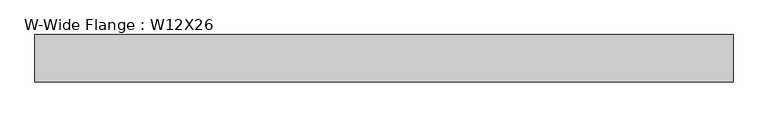
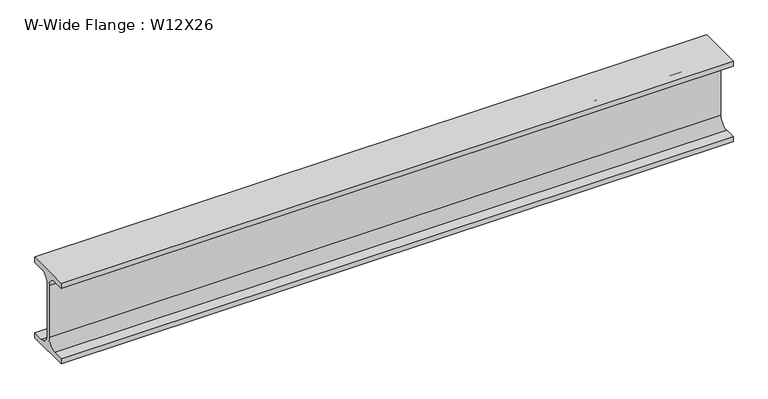
"""IFC4 building model written with IfcOpenShell, lengths in millimetres: beam geometry, W-Wide Flange : W12X26."""

from ifc_helpers import new_model, si_unit, point, frame, frame_2d, origin, place, context, project, spatial, polyline, circle_curve, trimmed, segment, composite_curve, outline, extrude, source, transform, mapped, element, save


def w_wide_flange_w12x26_b81f3bd6(model_context):
    return source(origin(), model_context, "Body", "SweptSolid", [
        extrude(outline(composite_curve([segment(polyline([(40.0, -65.3757813), (40.0, -75.0), (-40.0, -75.0), (-40.0, -65.3757813), (-20.2902344, -65.3757813)]), True, "CONTINUOUS"), segment(trimmed(circle_curve(frame_2d((-20.2902344, -48.0125)), 17.3632812), [point((-20.2902344, -65.3757813))], [point((-2.9269531, -48.0125))], True, "CARTESIAN"), True, "CONTINUOUS"), segment(polyline([(-2.9269531, -48.0125), (-2.9269531, 48.0125)]), True, "CONTINUOUS"), segment(trimmed(circle_curve(frame_2d((-20.2902344, 48.0125)), 17.3632812), [point((-2.9269531, 48.0125))], [point((-20.2902344, 65.3757812))], True, "CARTESIAN"), True, "CONTINUOUS"), segment(polyline([(-20.2902344, 65.3757812), (-40.0, 65.3757812), (-40.0, 75.0), (40.0, 75.0), (40.0, 65.3757812), (20.2902344, 65.3757812)]), True, "CONTINUOUS"), segment(trimmed(circle_curve(frame_2d((20.2902344, 48.0125)), 17.3632812), [point((20.2902344, 65.3757812))], [point((2.9269531, 48.0125))], True, "CARTESIAN"), True, "CONTINUOUS"), segment(polyline([(2.9269531, 48.0125), (2.9269531, -48.0125)]), True, "CONTINUOUS"), segment(trimmed(circle_curve(frame_2d((20.2902344, -48.0125)), 17.3632812), [point((2.9269531, -48.0125))], [point((20.2902344, -65.3757813))], True, "CARTESIAN"), True, "CONTINUOUS"), segment(polyline([(20.2902344, -65.3757813), (40.0, -65.3757813)]), True, "CONTINUOUS")], self_intersect=False)), frame((-584.6242983, 0.0, 0.0), z_axis=(1.0, 0.0, 0.0), x_axis=(0.0, 1.0, 0.0)), (0.0, 0.0, 1.0), 1178.114276),
    ])


if __name__ == "__main__":
    model = new_model("IFC4")
    model_context = context("Model", 3, world=origin())
    ifc_project = project(units=[si_unit("LENGTHUNIT", "METRE", prefix="MILLI")], contexts=[model_context])
    site = spatial("IfcSite", under=ifc_project)
    building = spatial("IfcBuilding", under=site)
    placement = place(None, origin())
    w_wide_flange_w12x26_shape = w_wide_flange_w12x26_b81f3bd6(model_context)
    element("IfcBeam", 1, ObjectType="W-Wide Flange : W12X26", at=placement, inside=building, context=model_context, shape_type="MappedRepresentation", body=[
        mapped(w_wide_flange_w12x26_shape, transform((0.0, 0.0, 0.0), x_axis=(1.0, 0.0, 0.0), y_axis=(0.0, 1.0, 0.0), z_axis=(0.0, 0.0, 1.0))),
    ])
    save(model, "model.ifc")
